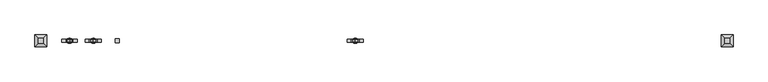
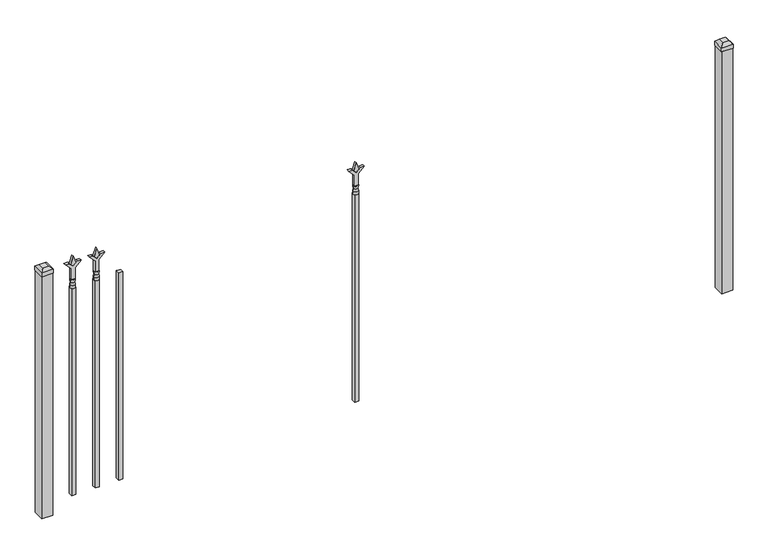
"""IFC4 building model written with IfcOpenShell, lengths in millimetres: railing geometry."""

from ifc_helpers import new_model, si_unit, frame, origin, origin_with_axes, place, context, project, spatial, polyline, circle_curve, outline, extrude, faceted_brep, source, transform, mapped, element, save
from ifc_brep_helpers import plane_surface, cylinder_surface, revolved_surface, advanced_brep


def railing_d7bdbdb7(model_context):
    return source(origin(), model_context, "Body", "SolidModel", [
        extrude(outline(polyline([(-79292.5347536, 3031.8679826), (-79273.4847536, 3031.8679826), (-79273.4847536, 3012.8179826), (-79292.5347536, 3012.8179826), (-79292.5347536, 3031.8679826)])), frame((0.0, 0.0, 50.8), z_axis=(0.0, 0.0, 1.0), x_axis=(1.0, 0.0, 0.0)), (0.0, 0.0, 1.0), 1016.0),
        extrude(outline(polyline([(1183.48125, -79380.3764203), (1219.2, -79392.2826703), (1183.48125, -79404.1889203), (1171.575, -79392.2826703), (1183.48125, -79380.3764203)])), frame((0.0, 3017.5804826, 0.0), z_axis=(0.0, 1.0, 0.0), x_axis=(0.0, 0.0, 1.0)), (0.0, 0.0, 1.0), 9.525),
        extrude(outline(polyline([(1108.075, -79383.5514203), (1162.3457378, -79383.5514203), (1189.5355122, -79356.3616458), (1189.5355122, -79374.3221581), (1171.575, -79392.2826703), (1189.5355122, -79410.2431825), (1189.5355122, -79428.2036948), (1162.3457378, -79401.0139203), (1108.075, -79401.0139203), (1108.075, -79383.5514203)])), frame((0.0, 3015.9929826, 0.0), z_axis=(0.0, 1.0, 0.0), x_axis=(0.0, 0.0, 1.0)), (0.0, 0.0, 1.0), 12.7),
        advanced_brep(
        [(-79380.3764203, 3022.3429826, 1079.5), (-79404.1889203, 3022.3429826, 1079.5), (-79404.1889203, 3022.3429826, 1066.8), (-79380.3764203, 3022.3429826, 1066.8), (-79382.5817522, 3022.3429826, 1092.0070585), (-79401.9835884, 3022.3429826, 1092.0070585), (-79380.3764203, 3022.3429826, 1108.075), (-79404.1889203, 3022.3429826, 1108.075), (-79392.2826703, 3022.3429826, 1108.075), (-79392.2826703, 3022.3429826, 1066.8)],
        [
            (0, 1, circle_curve(frame((-79392.2826703, 3022.3429826, 1079.5), z_axis=(0.0, 0.0, -1.0), x_axis=(-1.0, 0.0, 0.0)), 11.90625)),
            (1, 2),
            (2, 3, circle_curve(frame((-79392.2826703, 3022.3429826, 1066.8), z_axis=(0.0, 0.0, 1.0), x_axis=(-1.0, 0.0, 0.0)), 11.90625)),
            (3, 0),
            (1, 0, circle_curve(frame((-79392.2826703, 3022.3429826, 1079.5), z_axis=(0.0, 0.0, -1.0), x_axis=(-1.0, 0.0, 0.0)), 11.90625)),
            (3, 2, circle_curve(frame((-79392.2826703, 3022.3429826, 1066.8), z_axis=(0.0, 0.0, 1.0), x_axis=(-1.0, 0.0, 0.0)), 11.90625)),
            (4, 5, circle_curve(frame((-79392.2826703, 3022.3429826, 1092.0070585), z_axis=(0.0, 0.0, -1.0), x_axis=(-1.0, 0.0, 0.0)), 9.7009181)),
            (5, 1),
            (0, 4),
            (5, 4, circle_curve(frame((-79392.2826703, 3022.3429826, 1092.0070585), z_axis=(0.0, 0.0, -1.0), x_axis=(-1.0, 0.0, 0.0)), 9.7009181)),
            (6, 7, circle_curve(frame((-79392.2826703, 3022.3429826, 1108.075), z_axis=(0.0, 0.0, -1.0), x_axis=(-1.0, 0.0, 0.0)), 11.90625)),
            (7, 5),
            (4, 6),
            (7, 6, circle_curve(frame((-79392.2826703, 3022.3429826, 1108.075), z_axis=(0.0, 0.0, -1.0), x_axis=(-1.0, 0.0, 0.0)), 11.90625)),
            (8, 7),
            (6, 8),
            (2, 9),
            (9, 3),
        ],
        [
            cylinder_surface(frame((-79392.2826703, 3022.3429826, 1066.8), z_axis=(0.0, 0.0, 1.0), x_axis=(-1.0, 0.0, 0.0)), 11.90625),
            revolved_surface(polyline([(-79404.1889203, 3022.3429826, 1079.5), (-79401.9835884, 3022.3429826, 1092.0070585)]), (-79392.2826703, 3022.3429826, 1066.8), (0.0, 0.0, 1.0)),
            revolved_surface(polyline([(-79401.9835884, 3022.3429826, 1092.0070585), (-79404.1889203, 3022.3429826, 1108.075)]), (-79392.2826703, 3022.3429826, 1066.8), (0.0, 0.0, 1.0)),
            plane_surface(frame((-79392.2826703, 3022.3429826, 1108.075), z_axis=(0.0, 0.0, 1.0), x_axis=(-1.0, 0.0, 0.0))),
            plane_surface(frame((-79392.2826703, 3022.3429826, 1066.8), z_axis=(0.0, 0.0, -1.0), x_axis=(-1.0, 0.0, 0.0))),
        ],
        [
            (0, [[1, 2, 3, 4]]),
            (0, [[5, -4, 6, -2]]),
            (1, [[7, 8, -1, 9]]),
            (1, [[10, -9, -5, -8]]),
            (2, [[11, 12, -7, 13]]),
            (2, [[14, -13, -10, -12]]),
            (3, [[15, -11, 16]]),
            (3, [[-16, -14, -15]]),
            (4, [[-3, 17, 18]]),
            (4, [[-6, -18, -17]]),
        ],
    ),
        extrude(outline(polyline([(-79401.8076703, 3031.8679826), (-79382.7576703, 3031.8679826), (-79382.7576703, 3012.8179826), (-79401.8076703, 3012.8179826), (-79401.8076703, 3031.8679826)])), frame((0.0, 0.0, 50.8), z_axis=(0.0, 0.0, 1.0), x_axis=(1.0, 0.0, 0.0)), (0.0, 0.0, 1.0), 1016.0),
        extrude(outline(polyline([(1183.48125, -78178.374337), (1219.2, -78190.280587), (1183.48125, -78202.186837), (1171.575, -78190.280587), (1183.48125, -78178.374337)])), frame((0.0, 3017.5804826, 0.0), z_axis=(0.0, 1.0, 0.0), x_axis=(0.0, 0.0, 1.0)), (0.0, 0.0, 1.0), 9.525),
        extrude(outline(polyline([(1108.075, -78181.549337), (1162.3457378, -78181.549337), (1189.5355122, -78154.3595625), (1189.5355122, -78172.3200747), (1171.575, -78190.280587), (1189.5355122, -78208.2410992), (1189.5355122, -78226.2016114), (1162.3457378, -78199.011837), (1108.075, -78199.011837), (1108.075, -78181.549337)])), frame((0.0, 3015.9929826, 0.0), z_axis=(0.0, 1.0, 0.0), x_axis=(0.0, 0.0, 1.0)), (0.0, 0.0, 1.0), 12.7),
        advanced_brep(
        [(-78178.374337, 3022.3429826, 1079.5), (-78202.186837, 3022.3429826, 1079.5), (-78202.186837, 3022.3429826, 1066.8), (-78178.374337, 3022.3429826, 1066.8), (-78180.5796688, 3022.3429826, 1092.0070585), (-78199.9815051, 3022.3429826, 1092.0070585), (-78178.374337, 3022.3429826, 1108.075), (-78202.186837, 3022.3429826, 1108.075), (-78190.280587, 3022.3429826, 1108.075), (-78190.280587, 3022.3429826, 1066.8)],
        [
            (0, 1, circle_curve(frame((-78190.280587, 3022.3429826, 1079.5), z_axis=(0.0, 0.0, -1.0), x_axis=(-1.0, 0.0, 0.0)), 11.90625)),
            (1, 2),
            (2, 3, circle_curve(frame((-78190.280587, 3022.3429826, 1066.8), z_axis=(0.0, 0.0, 1.0), x_axis=(-1.0, 0.0, 0.0)), 11.90625)),
            (3, 0),
            (1, 0, circle_curve(frame((-78190.280587, 3022.3429826, 1079.5), z_axis=(0.0, 0.0, -1.0), x_axis=(-1.0, 0.0, 0.0)), 11.90625)),
            (3, 2, circle_curve(frame((-78190.280587, 3022.3429826, 1066.8), z_axis=(0.0, 0.0, 1.0), x_axis=(-1.0, 0.0, 0.0)), 11.90625)),
            (4, 5, circle_curve(frame((-78190.280587, 3022.3429826, 1092.0070585), z_axis=(0.0, 0.0, -1.0), x_axis=(-1.0, 0.0, 0.0)), 9.7009181)),
            (5, 1),
            (0, 4),
            (5, 4, circle_curve(frame((-78190.280587, 3022.3429826, 1092.0070585), z_axis=(0.0, 0.0, -1.0), x_axis=(-1.0, 0.0, 0.0)), 9.7009181)),
            (6, 7, circle_curve(frame((-78190.280587, 3022.3429826, 1108.075), z_axis=(0.0, 0.0, -1.0), x_axis=(-1.0, 0.0, 0.0)), 11.90625)),
            (7, 5),
            (4, 6),
            (7, 6, circle_curve(frame((-78190.280587, 3022.3429826, 1108.075), z_axis=(0.0, 0.0, -1.0), x_axis=(-1.0, 0.0, 0.0)), 11.90625)),
            (8, 7),
            (6, 8),
            (2, 9),
            (9, 3),
        ],
        [
            cylinder_surface(frame((-78190.280587, 3022.3429826, 1066.8), z_axis=(0.0, 0.0, 1.0), x_axis=(-1.0, 0.0, 0.0)), 11.90625),
            revolved_surface(polyline([(-78202.186837, 3022.3429826, 1079.5), (-78199.9815051, 3022.3429826, 1092.0070585)]), (-78190.280587, 3022.3429826, 1066.8), (0.0, 0.0, 1.0)),
            revolved_surface(polyline([(-78199.9815051, 3022.3429826, 1092.0070585), (-78202.186837, 3022.3429826, 1108.075)]), (-78190.280587, 3022.3429826, 1066.8), (0.0, 0.0, 1.0)),
            plane_surface(frame((-78190.280587, 3022.3429826, 1108.075), z_axis=(0.0, 0.0, 1.0), x_axis=(-1.0, 0.0, 0.0))),
            plane_surface(frame((-78190.280587, 3022.3429826, 1066.8), z_axis=(0.0, 0.0, -1.0), x_axis=(-1.0, 0.0, 0.0))),
        ],
        [
            (0, [[1, 2, 3, 4]]),
            (0, [[5, -4, 6, -2]]),
            (1, [[7, 8, -1, 9]]),
            (1, [[10, -9, -5, -8]]),
            (2, [[11, 12, -7, 13]]),
            (2, [[14, -13, -10, -12]]),
            (3, [[15, -11, 16]]),
            (3, [[-16, -14, -15]]),
            (4, [[-3, 17, 18]]),
            (4, [[-6, -18, -17]]),
        ],
    ),
        extrude(outline(polyline([(-78199.805587, 3031.8679826), (-78180.755587, 3031.8679826), (-78180.755587, 3012.8179826), (-78199.805587, 3012.8179826), (-78199.805587, 3031.8679826)])), frame((0.0, 0.0, 50.8), z_axis=(0.0, 0.0, 1.0), x_axis=(1.0, 0.0, 0.0)), (0.0, 0.0, 1.0), 1016.0),
        extrude(outline(polyline([(1183.48125, -79489.649337), (1219.2, -79501.555587), (1183.48125, -79513.461837), (1171.575, -79501.555587), (1183.48125, -79489.649337)])), frame((0.0, 3017.5804826, 0.0), z_axis=(0.0, 1.0, 0.0), x_axis=(0.0, 0.0, 1.0)), (0.0, 0.0, 1.0), 9.525),
        extrude(outline(polyline([(1108.075, -79492.824337), (1162.3457378, -79492.824337), (1189.5355122, -79465.6345625), (1189.5355122, -79483.5950747), (1171.575, -79501.555587), (1189.5355122, -79519.5160992), (1189.5355122, -79537.4766114), (1162.3457378, -79510.286837), (1108.075, -79510.286837), (1108.075, -79492.824337)])), frame((0.0, 3015.9929826, 0.0), z_axis=(0.0, 1.0, 0.0), x_axis=(0.0, 0.0, 1.0)), (0.0, 0.0, 1.0), 12.7),
        advanced_brep(
        [(-79489.649337, 3022.3429826, 1079.5), (-79513.461837, 3022.3429826, 1079.5), (-79513.461837, 3022.3429826, 1066.8), (-79489.649337, 3022.3429826, 1066.8), (-79491.8546688, 3022.3429826, 1092.0070585), (-79511.2565051, 3022.3429826, 1092.0070585), (-79489.649337, 3022.3429826, 1108.075), (-79513.461837, 3022.3429826, 1108.075), (-79501.555587, 3022.3429826, 1108.075), (-79501.555587, 3022.3429826, 1066.8)],
        [
            (0, 1, circle_curve(frame((-79501.555587, 3022.3429826, 1079.5), z_axis=(0.0, 0.0, -1.0), x_axis=(-1.0, 0.0, 0.0)), 11.90625)),
            (1, 2),
            (2, 3, circle_curve(frame((-79501.555587, 3022.3429826, 1066.8), z_axis=(0.0, 0.0, 1.0), x_axis=(-1.0, 0.0, 0.0)), 11.90625)),
            (3, 0),
            (1, 0, circle_curve(frame((-79501.555587, 3022.3429826, 1079.5), z_axis=(0.0, 0.0, -1.0), x_axis=(-1.0, 0.0, 0.0)), 11.90625)),
            (3, 2, circle_curve(frame((-79501.555587, 3022.3429826, 1066.8), z_axis=(0.0, 0.0, 1.0), x_axis=(-1.0, 0.0, 0.0)), 11.90625)),
            (4, 5, circle_curve(frame((-79501.555587, 3022.3429826, 1092.0070585), z_axis=(0.0, 0.0, -1.0), x_axis=(-1.0, 0.0, 0.0)), 9.7009181)),
            (5, 1),
            (0, 4),
            (5, 4, circle_curve(frame((-79501.555587, 3022.3429826, 1092.0070585), z_axis=(0.0, 0.0, -1.0), x_axis=(-1.0, 0.0, 0.0)), 9.7009181)),
            (6, 7, circle_curve(frame((-79501.555587, 3022.3429826, 1108.075), z_axis=(0.0, 0.0, -1.0), x_axis=(-1.0, 0.0, 0.0)), 11.90625)),
            (7, 5),
            (4, 6),
            (7, 6, circle_curve(frame((-79501.555587, 3022.3429826, 1108.075), z_axis=(0.0, 0.0, -1.0), x_axis=(-1.0, 0.0, 0.0)), 11.90625)),
            (8, 7),
            (6, 8),
            (2, 9),
            (9, 3),
        ],
        [
            cylinder_surface(frame((-79501.555587, 3022.3429826, 1066.8), z_axis=(0.0, 0.0, 1.0), x_axis=(-1.0, 0.0, 0.0)), 11.90625),
            revolved_surface(polyline([(-79513.461837, 3022.3429826, 1079.5), (-79511.2565051, 3022.3429826, 1092.0070585)]), (-79501.555587, 3022.3429826, 1066.8), (0.0, 0.0, 1.0)),
            revolved_surface(polyline([(-79511.2565051, 3022.3429826, 1092.0070585), (-79513.461837, 3022.3429826, 1108.075)]), (-79501.555587, 3022.3429826, 1066.8), (0.0, 0.0, 1.0)),
            plane_surface(frame((-79501.555587, 3022.3429826, 1108.075), z_axis=(0.0, 0.0, 1.0), x_axis=(-1.0, 0.0, 0.0))),
            plane_surface(frame((-79501.555587, 3022.3429826, 1066.8), z_axis=(0.0, 0.0, -1.0), x_axis=(-1.0, 0.0, 0.0))),
        ],
        [
            (0, [[1, 2, 3, 4]]),
            (0, [[5, -4, 6, -2]]),
            (1, [[7, 8, -1, 9]]),
            (1, [[10, -9, -5, -8]]),
            (2, [[11, 12, -7, 13]]),
            (2, [[14, -13, -10, -12]]),
            (3, [[15, -11, 16]]),
            (3, [[-16, -14, -15]]),
            (4, [[-3, 17, 18]]),
            (4, [[-6, -18, -17]]),
        ],
    ),
        extrude(outline(polyline([(-79511.080587, 3031.8679826), (-79492.030587, 3031.8679826), (-79492.030587, 3012.8179826), (-79511.080587, 3012.8179826), (-79511.080587, 3031.8679826)])), frame((0.0, 0.0, 50.8), z_axis=(0.0, 0.0, 1.0), x_axis=(1.0, 0.0, 0.0)), (0.0, 0.0, 1.0), 1016.0),
        extrude(outline(polyline([(-76458.318087, 3047.7429826), (-76458.318087, 2996.9429826), (-76509.118087, 2996.9429826), (-76509.118087, 3047.7429826), (-76458.318087, 3047.7429826)])), origin_with_axes(), (0.0, 0.0, 1.0), 1187.45),
        faceted_brep([(-76510.705587, 3049.3304826, 1206.5), (-76510.705587, 3049.3304826, 1187.45), (-76510.705587, 2995.3554826, 1187.45), (-76510.705587, 2995.3554826, 1206.5), (-76498.005587, 3036.6304826, 1219.2), (-76498.005587, 3008.0554826, 1219.2), (-76456.730587, 2995.3554826, 1187.45), (-76456.730587, 2995.3554826, 1206.5), (-76469.430587, 3008.0554826, 1219.2), (-76456.730587, 3049.3304826, 1187.45), (-76456.730587, 3049.3304826, 1206.5), (-76469.430587, 3036.6304826, 1219.2)], [[[0, 1, 2, 3]], [[4, 0, 3, 5]], [[3, 2, 6, 7]], [[5, 3, 7, 8]], [[7, 6, 9, 10]], [[8, 7, 10, 11]], [[10, 9, 1, 0]], [[11, 10, 0, 4]], [[5, 8, 11, 4]], [[1, 9, 6, 2]]]),
        extrude(outline(polyline([(-79607.918087, 3047.7429826), (-79607.918087, 2996.9429826), (-79658.718087, 2996.9429826), (-79658.718087, 3047.7429826), (-79607.918087, 3047.7429826)])), origin_with_axes(), (0.0, 0.0, 1.0), 1187.45),
        faceted_brep([(-79660.305587, 3049.3304826, 1206.5), (-79660.305587, 3049.3304826, 1187.45), (-79660.305587, 2995.3554826, 1187.45), (-79660.305587, 2995.3554826, 1206.5), (-79647.605587, 3036.6304826, 1219.2), (-79647.605587, 3008.0554826, 1219.2), (-79606.330587, 2995.3554826, 1187.45), (-79606.330587, 2995.3554826, 1206.5), (-79619.030587, 3008.0554826, 1219.2), (-79606.330587, 3049.3304826, 1187.45), (-79606.330587, 3049.3304826, 1206.5), (-79619.030587, 3036.6304826, 1219.2)], [[[0, 1, 2, 3]], [[4, 0, 3, 5]], [[3, 2, 6, 7]], [[5, 3, 7, 8]], [[7, 6, 9, 10]], [[8, 7, 10, 11]], [[10, 9, 1, 0]], [[11, 10, 0, 4]], [[5, 8, 11, 4]], [[1, 9, 6, 2]]]),
    ])


if __name__ == "__main__":
    model = new_model("IFC4")
    model_context = context("Model", 3, world=origin())
    ifc_project = project(units=[si_unit("LENGTHUNIT", "METRE", prefix="MILLI")], contexts=[model_context])
    site = spatial("IfcSite", under=ifc_project)
    building = spatial("IfcBuilding", under=site)
    placement = place(None, origin())
    railing_shape = railing_d7bdbdb7(model_context)
    element("IfcRailing", 1, at=placement, inside=building, context=model_context, shape_type="MappedRepresentation", body=[
        mapped(railing_shape, transform((0.0, 0.0, 0.0), x_axis=(1.0, 0.0, 0.0), y_axis=(0.0, 1.0, 0.0), z_axis=(0.0, 0.0, 1.0))),
    ])
    save(model, "model.ifc")
